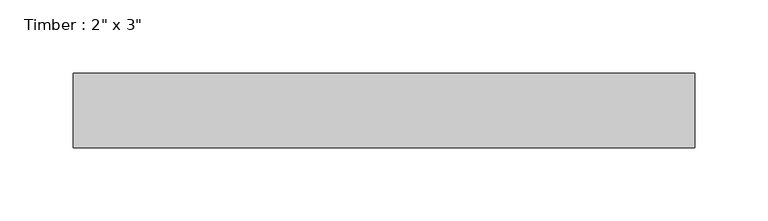
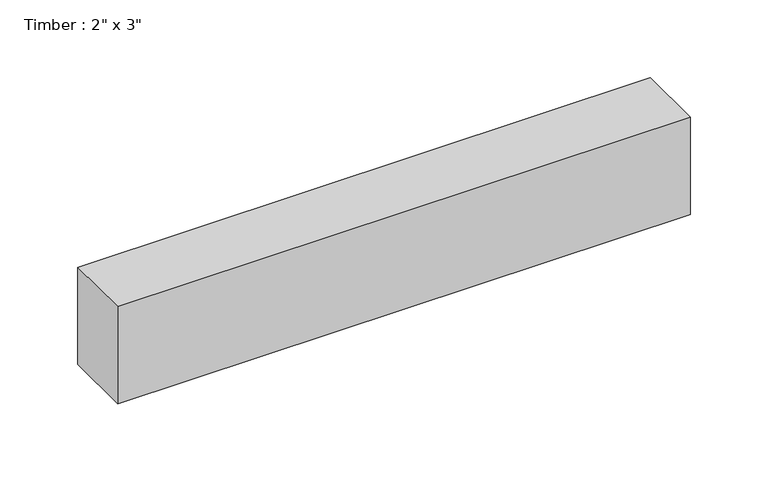
"""IFC4 building model written with IfcOpenShell, lengths in millimetres: beam geometry."""

import ifcopenshell
import ifcopenshell.guid

model = None  # the IFC model being written
_history = None  # IfcOwnerHistory: only IFC2X3 demands one
_inside = {}  # id of a spatial element -> (the spatial element, [elements in it])
_under = {}  # id of a project, library or spatial element -> (it, [spatial elements below it])
_declared = {}  # id of a project -> (the project, [libraries it declares])
_typed = {}  # id of a type object -> (the type object, [elements of that type])
_made_of = {}  # id of a material, layer set ... -> (it, [elements and type objects made of it])


def new_model(schema):
    """Start an empty IFC model of exactly this schema.

    Asked for "IFC4X3", IfcOpenShell would pick the latest addendum, in which some entities
    have other attributes; the version numbers below select the first issue.
    IFC2X3 requires an IfcOwnerHistory on every rooted entity: one is made here for all.
    """
    global model, _history
    if schema == "IFC4X3":
        model = ifcopenshell.file(schema_version=(4, 3, 0, 0))
    else:
        model = ifcopenshell.file(schema=schema)
    _inside.clear()
    _under.clear()
    _declared.clear()
    _typed.clear()
    _made_of.clear()
    _history = None
    if model.schema == "IFC2X3":
        org = make("IfcOrganization", Name="unknown")
        user = make(
            "IfcPersonAndOrganization",
            ThePerson=make("IfcPerson", FamilyName="unknown"),
            TheOrganization=org,
        )
        app = make(
            "IfcApplication",
            ApplicationDeveloper=org,
            Version="unknown",
            ApplicationFullName="unknown",
            ApplicationIdentifier="unknown",
        )
        _history = make(
            "IfcOwnerHistory",
            OwningUser=user,
            OwningApplication=app,
            ChangeAction="ADDED",
            CreationDate=0,
        )
    return model


def make(cls, **values):
    """One entity of the class cls with the attributes given. An attribute that is None is left unset."""
    return model.create_entity(
        cls, **{name: value for name, value in values.items() if value is not None}
    )


def rooted(cls, **values):
    """An entity with a GlobalId (a new one), such as an element, a storey or a relation."""
    return make(cls, GlobalId=ifcopenshell.guid.new(), OwnerHistory=_history, **values)


def si_unit(unit_type, name, prefix=None):
    """IfcSIUnit, for example si_unit("LENGTHUNIT", "METRE", prefix="MILLI")."""
    return make("IfcSIUnit", UnitType=unit_type, Prefix=prefix, Name=name)


def assignment(units):
    """IfcUnitAssignment: the units of a project."""
    return None if units is None else make("IfcUnitAssignment", Units=units)


def point(xyz):
    """IfcCartesianPoint."""
    return None if xyz is None else make("IfcCartesianPoint", Coordinates=xyz)


def direction(xyz):
    """IfcDirection."""
    return None if xyz is None else make("IfcDirection", DirectionRatios=xyz)


def frame(location, z_axis=None, x_axis=None):
    """IfcAxis2Placement3D, a coordinate frame: its origin and axes. An axis left out is left unset."""
    return make(
        "IfcAxis2Placement3D",
        Location=point(location),
        Axis=direction(z_axis),
        RefDirection=direction(x_axis),
    )


def origin():
    """The frame at (0, 0, 0) with its axes left unset."""
    return frame((0.0, 0.0, 0.0))


def place(relative_to, where):
    """IfcLocalPlacement: puts the frame where relative to a parent placement (None: the world)."""
    return make(
        "IfcLocalPlacement", PlacementRelTo=relative_to, RelativePlacement=where
    )


def context(
    kind, dimensions, precision=None, world=None, true_north=None, identifier=None
):
    """IfcGeometricRepresentationContext, for example the 3D "Model" context."""
    return make(
        "IfcGeometricRepresentationContext",
        ContextIdentifier=identifier,
        ContextType=kind,
        CoordinateSpaceDimension=dimensions,
        Precision=precision,
        WorldCoordinateSystem=world,
        TrueNorth=true_north,
    )


def project(units=None, contexts=None):
    """IfcProject with its units and contexts."""
    return rooted(
        "IfcProject",
        Name="project",
        RepresentationContexts=contexts,
        UnitsInContext=assignment(units),
    )


def spatial(cls, under=None, at=None, **own):
    """A site, building, storey or space (cls), placed at a placement, below another one or the project."""
    s = rooted(cls, ObjectPlacement=at, **own)
    if under is not None:
        _under.setdefault(under.id(), (under, []))[1].append(s)
    return s


def polyline(points):
    """IfcPolyline through the points."""
    return make("IfcPolyline", Points=[point(p) for p in points])


def outline(outer, holes=None, kind="AREA"):
    """IfcArbitraryClosedProfileDef: a profile drawn as a closed curve; with holes, ...WithVoids."""
    if holes is None:
        return make("IfcArbitraryClosedProfileDef", ProfileType=kind, OuterCurve=outer)
    return make(
        "IfcArbitraryProfileDefWithVoids",
        ProfileType=kind,
        OuterCurve=outer,
        InnerCurves=holes,
    )


def extrude(swept, where, along, depth):
    """IfcExtrudedAreaSolid: the profile swept, set in the frame where, extruded along a direction by depth."""
    return make(
        "IfcExtrudedAreaSolid",
        SweptArea=swept,
        Position=where,
        ExtrudedDirection=direction(along),
        Depth=depth,
    )


def shape(context_of_items, identifier, shape_type, items):
    """IfcShapeRepresentation: the items that make up one representation, for example the "Body"."""
    return make(
        "IfcShapeRepresentation",
        ContextOfItems=context_of_items,
        RepresentationIdentifier=identifier,
        RepresentationType=shape_type,
        Items=items,
    )


def source(mapping_origin, context_of_items, identifier, shape_type, items):
    """IfcRepresentationMap: a shape defined once, which mapped items show again and again."""
    return make(
        "IfcRepresentationMap",
        MappingOrigin=mapping_origin,
        MappedRepresentation=shape(context_of_items, identifier, shape_type, items),
    )


def transform(
    local_origin,
    x_axis=None,
    y_axis=None,
    z_axis=None,
    scale=None,
    scale2=None,
    scale3=None,
    uniform=True,
):
    """IfcCartesianTransformationOperator3D, or its non-uniform kind. x_axis, y_axis, z_axis: its Axis1, 2, 3."""
    if uniform:
        return make(
            "IfcCartesianTransformationOperator3D",
            Axis1=direction(x_axis),
            Axis2=direction(y_axis),
            LocalOrigin=point(local_origin),
            Scale=scale,
            Axis3=direction(z_axis),
        )
    return make(
        "IfcCartesianTransformationOperator3DnonUniform",
        Axis1=direction(x_axis),
        Axis2=direction(y_axis),
        LocalOrigin=point(local_origin),
        Scale=scale,
        Axis3=direction(z_axis),
        Scale2=scale2,
        Scale3=scale3,
    )


def mapped(mapping_source, mapping_target):
    """IfcMappedItem: shows the shape of a source again, moved by a transform."""
    return make(
        "IfcMappedItem", MappingSource=mapping_source, MappingTarget=mapping_target
    )


def made_of(thing, what):
    """Note that an element or type object is made of a material, layer set ...; save() writes the relation."""
    if what is not None:
        _made_of.setdefault(what.id(), (what, []))[1].append(thing)
    return thing


def element(
    cls,
    number,
    at=None,
    inside=None,
    cuts=None,
    type_object=None,
    material=None,
    context=None,
    identifier="Body",
    shape_type=None,
    held_by="IfcProductDefinitionShape",
    body=None,
    shapes=None,
    **own,
):
    """One element of the class cls, such as IfcWall. Its Tag is "e" and its number.

    at: its placement. inside: the storey or other place that contains it. cuts: it is an
    opening in that element (IfcRelVoidsElement). A single representation is given by context,
    identifier, shape_type and body (its items); several are given by shapes. held_by: the class
    of the entity that holds the representations. save() writes the other relations.
    """
    e = rooted(cls, Tag="e%d" % number, ObjectPlacement=at, **own)
    if body is not None:
        shapes = [shape(context, identifier, shape_type, body)]
    if shapes is not None:
        e.Representation = make(held_by, Representations=shapes)
    if inside is not None:
        _inside.setdefault(inside.id(), (inside, []))[1].append(e)
    if cuts is not None:
        rooted(
            "IfcRelVoidsElement", RelatingBuildingElement=cuts, RelatedOpeningElement=e
        )
    if type_object is not None:
        _typed.setdefault(type_object.id(), (type_object, []))[1].append(e)
    return made_of(e, material)


def aggregate(whole, parts):
    """IfcRelAggregates: a whole, such as a stair, and the parts it consists of."""
    return rooted("IfcRelAggregates", RelatingObject=whole, RelatedObjects=parts)


def save(model, path):
    """Write the relations noted so far, then the file.

    IfcRelAggregates (storeys below a building ...), IfcRelContainedInSpatialStructure (elements
    in a storey), IfcRelDefinesByType, IfcRelAssociatesMaterial and IfcRelDeclares: one each for
    every whole, place, type object, material and project.
    """
    for whole, parts in _under.values():
        aggregate(whole, parts)
    for where, things in _inside.values():
        rooted(
            "IfcRelContainedInSpatialStructure",
            RelatedElements=things,
            RelatingStructure=where,
        )
    for kind, things in _typed.values():
        rooted("IfcRelDefinesByType", RelatedObjects=things, RelatingType=kind)
    for what, things in _made_of.values():
        rooted("IfcRelAssociatesMaterial", RelatedObjects=things, RelatingMaterial=what)
    for by, libraries in _declared.values():
        rooted("IfcRelDeclares", RelatingContext=by, RelatedDefinitions=libraries)
    model.write(path)


def beam_322cc9fe(model_context):
    return source(origin(), model_context, "Body", "SweptSolid", [
        extrude(outline(polyline([(212.1011058, -25.4), (-212.1011058, -25.4), (-212.1011058, 25.4), (212.1011058, 25.4), (212.1011058, -25.4)])), frame((0.0, 0.0, -38.1), z_axis=(0.0, 0.0, 1.0), x_axis=(1.0, 0.0, 0.0)), (0.0, 0.0, 1.0), 76.2),
    ])


if __name__ == "__main__":
    model = new_model("IFC4")
    model_context = context("Model", 3, world=origin())
    ifc_project = project(units=[si_unit("LENGTHUNIT", "METRE", prefix="MILLI")], contexts=[model_context])
    site = spatial("IfcSite", under=ifc_project)
    building = spatial("IfcBuilding", under=site)
    placement = place(None, origin())
    beam_shape = beam_322cc9fe(model_context)
    element("IfcBeam", 1, ObjectType="Timber : 2\" x 3\"", at=placement, inside=building, context=model_context, shape_type="MappedRepresentation", body=[
        mapped(beam_shape, transform((0.0, 0.0, 0.0), x_axis=(1.0, 0.0, 0.0), y_axis=(0.0, 1.0, 0.0), z_axis=(0.0, 0.0, 1.0))),
    ])
    save(model, "model.ifc")
